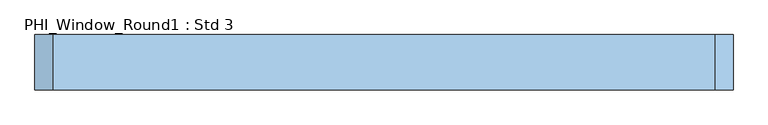
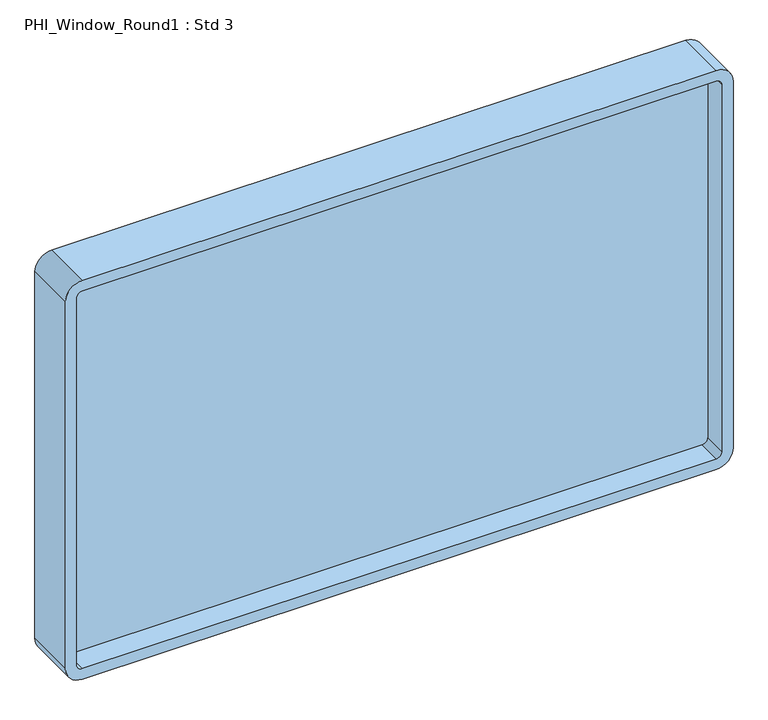
"""IFC4 building model written with IfcOpenShell, lengths in millimetres: window geometry, PHI_Window_Round1 : Std 3."""

from ifc_helpers import new_model, si_unit, point, frame, frame_2d, origin, place, context, project, spatial, polyline, circle_curve, trimmed, segment, composite_curve, outline, extrude, source, transform, mapped, element, save


def phi_window_round1_std_3_ab93c7a3(model_context):
    return source(origin(), model_context, "Body", "SweptSolid", [
        extrude(outline(composite_curve([segment(polyline([(2115.0, 902.0), (2115.0, -902.0)]), True, "CONTINUOUS"), segment(trimmed(circle_curve(frame_2d((2067.0, -902.0)), 48.0), [point((2115.0, -902.0))], [point((2067.0, -950.0))], False, "CARTESIAN"), True, "CONTINUOUS"), segment(polyline([(2067.0, -950.0), (963.0, -950.0)]), True, "CONTINUOUS"), segment(trimmed(circle_curve(frame_2d((963.0, -902.0)), 48.0), [point((963.0, -950.0))], [point((915.0, -902.0))], False, "CARTESIAN"), True, "CONTINUOUS"), segment(polyline([(915.0, -902.0), (915.0, 902.0)]), True, "CONTINUOUS"), segment(trimmed(circle_curve(frame_2d((963.0, 902.0)), 48.0), [point((915.0, 902.0))], [point((963.0, 950.0))], False, "CARTESIAN"), True, "CONTINUOUS"), segment(polyline([(963.0, 950.0), (2067.0, 950.0)]), True, "CONTINUOUS"), segment(trimmed(circle_curve(frame_2d((2067.0, 902.0)), 48.0), [point((2067.0, 950.0))], [point((2115.0, 902.0))], False, "CARTESIAN"), True, "CONTINUOUS")], self_intersect=False), holes=[composite_curve([segment(polyline([(963.0, -918.0), (2067.0, -918.0)]), True, "CONTINUOUS"), segment(trimmed(circle_curve(frame_2d((2067.0, -902.0)), 16.0), [point((2067.0, -918.0))], [point((2083.0, -902.0))], True, "CARTESIAN"), True, "CONTINUOUS"), segment(polyline([(2083.0, -902.0), (2083.0, 902.0)]), True, "CONTINUOUS"), segment(trimmed(circle_curve(frame_2d((2067.0, 902.0)), 16.0), [point((2083.0, 902.0))], [point((2067.0, 918.0))], True, "CARTESIAN"), True, "CONTINUOUS"), segment(polyline([(2067.0, 918.0), (963.0, 918.0)]), True, "CONTINUOUS"), segment(trimmed(circle_curve(frame_2d((963.0, 902.0)), 16.0), [point((963.0, 918.0))], [point((947.0, 902.0))], True, "CARTESIAN"), True, "CONTINUOUS"), segment(polyline([(947.0, 902.0), (947.0, -902.0)]), True, "CONTINUOUS"), segment(trimmed(circle_curve(frame_2d((963.0, -902.0)), 16.0), [point((947.0, -902.0))], [point((963.0, -918.0))], True, "CARTESIAN"), True, "CONTINUOUS")], self_intersect=False)]), frame((0.0, -62.0, 0.0), z_axis=(0.0, 1.0, 0.0), x_axis=(0.0, 0.0, 1.0)), (0.0, 0.0, 1.0), 150.0),
        extrude(outline(polyline([(-931.0, 19.0), (931.0, 19.0), (931.0, 7.0), (-931.0, 7.0), (-931.0, 19.0)])), frame((0.0, 0.0, 934.0), z_axis=(0.0, 0.0, 1.0), x_axis=(1.0, 0.0, 0.0)), (0.0, 0.0, 1.0), 1162.0),
    ])


if __name__ == "__main__":
    model = new_model("IFC4")
    model_context = context("Model", 3, world=origin())
    ifc_project = project(units=[si_unit("LENGTHUNIT", "METRE", prefix="MILLI")], contexts=[model_context])
    site = spatial("IfcSite", under=ifc_project)
    building = spatial("IfcBuilding", under=site)
    placement = place(None, origin())
    phi_window_round1_std_3_shape = phi_window_round1_std_3_ab93c7a3(model_context)
    element("IfcWindow", 1, ObjectType="PHI_Window_Round1 : Std 3", at=placement, inside=building, context=model_context, shape_type="MappedRepresentation", body=[
        mapped(phi_window_round1_std_3_shape, transform((0.0, 0.0, 0.0), x_axis=(1.0, 0.0, 0.0), y_axis=(0.0, 1.0, 0.0), z_axis=(0.0, 0.0, 1.0))),
    ])
    save(model, "model.ifc")
